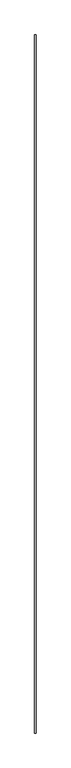
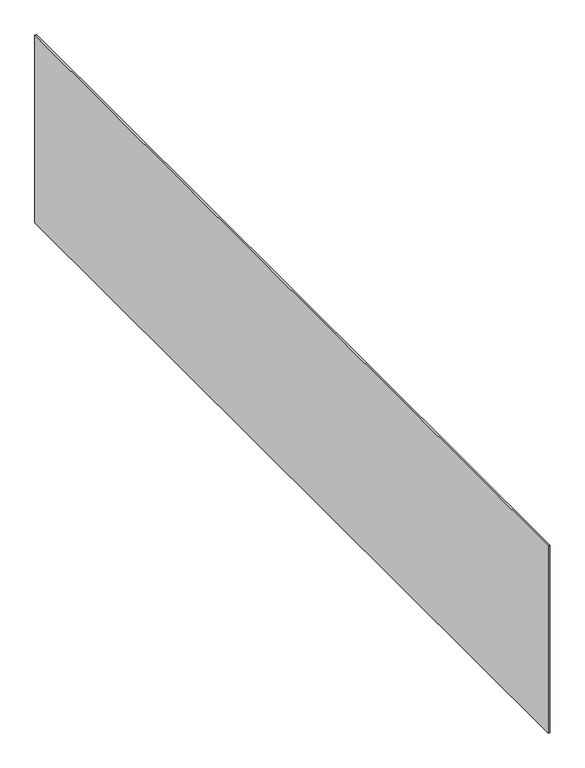
"""IFC4 building model written with IfcOpenShell, lengths in millimetres: proxy geometry."""

from ifc_helpers import new_model, si_unit, frame, origin, place, context, project, spatial, polyline, outline, extrude, source, transform, mapped, element, save


def generic_models_a61127eb(model_context):
    return source(origin(), model_context, "Body", "SweptSolid", [
        extrude(outline(polyline([(37937.0585168, -18662.4264268), (37937.0585168, -25196.3529893), (37924.3585168, -25196.3529893), (37924.3585168, -18662.4264268), (37937.0585168, -18662.4264268)])), frame((0.0, 0.0, 4189.2214506), z_axis=(0.0, 0.0, 1.0), x_axis=(1.0, 0.0, 0.0)), (0.0, 0.0, 1.0), 1454.3410494),
    ])


if __name__ == "__main__":
    model = new_model("IFC4")
    model_context = context("Model", 3, world=origin())
    ifc_project = project(units=[si_unit("LENGTHUNIT", "METRE", prefix="MILLI")], contexts=[model_context])
    site = spatial("IfcSite", under=ifc_project)
    building = spatial("IfcBuilding", under=site)
    placement = place(None, origin())
    generic_models_shape = generic_models_a61127eb(model_context)
    element("IfcBuildingElementProxy", 1, Name="Generic Models", at=placement, inside=building, context=model_context, shape_type="MappedRepresentation", body=[
        mapped(generic_models_shape, transform((0.0, 0.0, 0.0), x_axis=(1.0, 0.0, 0.0), y_axis=(0.0, 1.0, 0.0), z_axis=(0.0, 0.0, 1.0))),
    ])
    save(model, "model.ifc")
